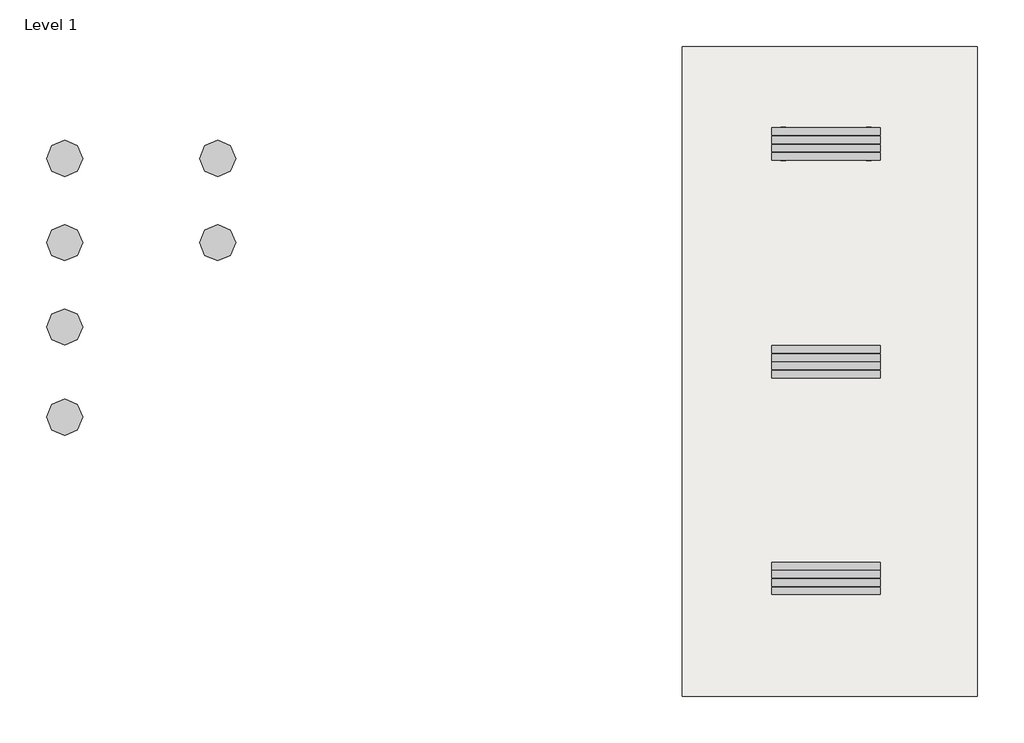
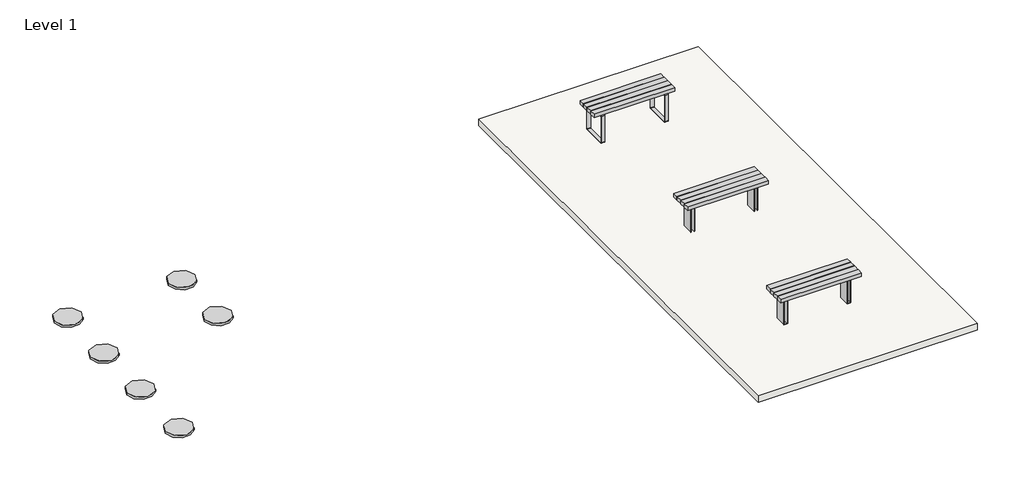
# One storey: 6 proxies, 3 furniture elements, 1 slab.
"""IFC4 building model written with IfcOpenShell, lengths in millimetres."""

import ifcopenshell
import ifcopenshell.guid

model = None  # the IFC model being written
_history = None  # IfcOwnerHistory: only IFC2X3 demands one
_inside = {}  # id of a spatial element -> (the spatial element, [elements in it])
_under = {}  # id of a project, library or spatial element -> (it, [spatial elements below it])
_declared = {}  # id of a project -> (the project, [libraries it declares])
_typed = {}  # id of a type object -> (the type object, [elements of that type])
_made_of = {}  # id of a material, layer set ... -> (it, [elements and type objects made of it])


def new_model(schema):
    """Start an empty IFC model of exactly this schema.

    Asked for "IFC4X3", IfcOpenShell would pick the latest addendum, in which some entities
    have other attributes; the version numbers below select the first issue.
    IFC2X3 requires an IfcOwnerHistory on every rooted entity: one is made here for all.
    """
    global model, _history
    if schema == "IFC4X3":
        model = ifcopenshell.file(schema_version=(4, 3, 0, 0))
    else:
        model = ifcopenshell.file(schema=schema)
    _inside.clear()
    _under.clear()
    _declared.clear()
    _typed.clear()
    _made_of.clear()
    _history = None
    if model.schema == "IFC2X3":
        org = make("IfcOrganization", Name="unknown")
        user = make(
            "IfcPersonAndOrganization",
            ThePerson=make("IfcPerson", FamilyName="unknown"),
            TheOrganization=org,
        )
        app = make(
            "IfcApplication",
            ApplicationDeveloper=org,
            Version="unknown",
            ApplicationFullName="unknown",
            ApplicationIdentifier="unknown",
        )
        _history = make(
            "IfcOwnerHistory",
            OwningUser=user,
            OwningApplication=app,
            ChangeAction="ADDED",
            CreationDate=0,
        )
    return model


def make(cls, **values):
    """One entity of the class cls with the attributes given. An attribute that is None is left unset."""
    return model.create_entity(
        cls, **{name: value for name, value in values.items() if value is not None}
    )


def rooted(cls, **values):
    """An entity with a GlobalId (a new one), such as an element, a storey or a relation."""
    return make(cls, GlobalId=ifcopenshell.guid.new(), OwnerHistory=_history, **values)


def si_unit(unit_type, name, prefix=None):
    """IfcSIUnit, for example si_unit("LENGTHUNIT", "METRE", prefix="MILLI")."""
    return make("IfcSIUnit", UnitType=unit_type, Prefix=prefix, Name=name)


def assignment(units):
    """IfcUnitAssignment: the units of a project."""
    return None if units is None else make("IfcUnitAssignment", Units=units)


def point(xyz):
    """IfcCartesianPoint."""
    return None if xyz is None else make("IfcCartesianPoint", Coordinates=xyz)


def direction(xyz):
    """IfcDirection."""
    return None if xyz is None else make("IfcDirection", DirectionRatios=xyz)


def frame(location, z_axis=None, x_axis=None):
    """IfcAxis2Placement3D, a coordinate frame: its origin and axes. An axis left out is left unset."""
    return make(
        "IfcAxis2Placement3D",
        Location=point(location),
        Axis=direction(z_axis),
        RefDirection=direction(x_axis),
    )


def frame_2d(location, x_axis=None):
    """IfcAxis2Placement2D, a coordinate frame in the plane: its origin and x axis."""
    return make(
        "IfcAxis2Placement2D", Location=point(location), RefDirection=direction(x_axis)
    )


def origin():
    """The frame at (0, 0, 0) with its axes left unset."""
    return frame((0.0, 0.0, 0.0))


def origin_with_axes():
    """The frame at (0, 0, 0) with the z axis (0, 0, 1) and the x axis (1, 0, 0) written out."""
    return frame((0.0, 0.0, 0.0), z_axis=(0.0, 0.0, 1.0), x_axis=(1.0, 0.0, 0.0))


def origin_2d():
    """The frame at (0, 0) in the plane with its x axis left unset."""
    return frame_2d((0.0, 0.0))


def place(relative_to, where):
    """IfcLocalPlacement: puts the frame where relative to a parent placement (None: the world)."""
    return make(
        "IfcLocalPlacement", PlacementRelTo=relative_to, RelativePlacement=where
    )


def context(
    kind, dimensions, precision=None, world=None, true_north=None, identifier=None
):
    """IfcGeometricRepresentationContext, for example the 3D "Model" context."""
    return make(
        "IfcGeometricRepresentationContext",
        ContextIdentifier=identifier,
        ContextType=kind,
        CoordinateSpaceDimension=dimensions,
        Precision=precision,
        WorldCoordinateSystem=world,
        TrueNorth=true_north,
    )


def project(units=None, contexts=None):
    """IfcProject with its units and contexts."""
    return rooted(
        "IfcProject",
        Name="project",
        RepresentationContexts=contexts,
        UnitsInContext=assignment(units),
    )


def spatial(cls, under=None, at=None, **own):
    """A site, building, storey or space (cls), placed at a placement, below another one or the project."""
    s = rooted(cls, ObjectPlacement=at, **own)
    if under is not None:
        _under.setdefault(under.id(), (under, []))[1].append(s)
    return s


def polyline(points):
    """IfcPolyline through the points."""
    return make("IfcPolyline", Points=[point(p) for p in points])


def circle_curve(where, radius):
    """IfcCircle in the frame where."""
    return make("IfcCircle", Position=where, Radius=radius)


def trimmed(basis, trim1, trim2, sense, master):
    """IfcTrimmedCurve: the piece of a basis curve between two trims."""
    return make(
        "IfcTrimmedCurve",
        BasisCurve=basis,
        Trim1=trim1,
        Trim2=trim2,
        SenseAgreement=sense,
        MasterRepresentation=master,
    )


def segment(curve, same_sense, transition):
    """IfcCompositeCurveSegment."""
    return make(
        "IfcCompositeCurveSegment",
        Transition=transition,
        SameSense=same_sense,
        ParentCurve=curve,
    )


def composite_curve(segments, self_intersect=None):
    """IfcCompositeCurve: segments joined end to end."""
    return make("IfcCompositeCurve", Segments=segments, SelfIntersect=self_intersect)


def outline(outer, holes=None, kind="AREA"):
    """IfcArbitraryClosedProfileDef: a profile drawn as a closed curve; with holes, ...WithVoids."""
    if holes is None:
        return make("IfcArbitraryClosedProfileDef", ProfileType=kind, OuterCurve=outer)
    return make(
        "IfcArbitraryProfileDefWithVoids",
        ProfileType=kind,
        OuterCurve=outer,
        InnerCurves=holes,
    )


def extrude(swept, where, along, depth):
    """IfcExtrudedAreaSolid: the profile swept, set in the frame where, extruded along a direction by depth."""
    return make(
        "IfcExtrudedAreaSolid",
        SweptArea=swept,
        Position=where,
        ExtrudedDirection=direction(along),
        Depth=depth,
    )


def faces_of(points, faces, orient=None, outer=None):
    """IfcFace entities. A face is a list of loops; a loop is a list of indices into points, from 0.

    orient and outer hold one flag for each loop. By default every Orientation is true, the
    first loop of a face is its IfcFaceOuterBound and the others are IfcFaceBound.
    """
    made = []
    for i, loops in enumerate(faces):
        bounds = []
        for j, loop in enumerate(loops):
            is_outer = j == 0 if outer is None else outer[i][j]
            bounds.append(
                make(
                    "IfcFaceOuterBound" if is_outer else "IfcFaceBound",
                    Bound=make("IfcPolyLoop", Polygon=[points[k] for k in loop]),
                    Orientation=True if orient is None else orient[i][j],
                )
            )
        made.append(make("IfcFace", Bounds=bounds))
    return made


def faceted_brep(points, faces, orient=None, outer=None, voids=None):
    """IfcFacetedBrep: a solid bounded by flat faces; with voids (closed shells), ...WithVoids."""
    shared = [point(p) for p in points]
    hull = make("IfcClosedShell", CfsFaces=faces_of(shared, faces, orient, outer))
    if voids is None:
        return make("IfcFacetedBrep", Outer=hull)
    return make(
        "IfcFacetedBrepWithVoids",
        Outer=hull,
        Voids=[
            make(cls, CfsFaces=faces_of(shared, fs, o, b)) for cls, fs, o, b in voids
        ],
    )


def shape(context_of_items, identifier, shape_type, items):
    """IfcShapeRepresentation: the items that make up one representation, for example the "Body"."""
    return make(
        "IfcShapeRepresentation",
        ContextOfItems=context_of_items,
        RepresentationIdentifier=identifier,
        RepresentationType=shape_type,
        Items=items,
    )


def source(mapping_origin, context_of_items, identifier, shape_type, items):
    """IfcRepresentationMap: a shape defined once, which mapped items show again and again."""
    return make(
        "IfcRepresentationMap",
        MappingOrigin=mapping_origin,
        MappedRepresentation=shape(context_of_items, identifier, shape_type, items),
    )


def transform(
    local_origin,
    x_axis=None,
    y_axis=None,
    z_axis=None,
    scale=None,
    scale2=None,
    scale3=None,
    uniform=True,
):
    """IfcCartesianTransformationOperator3D, or its non-uniform kind. x_axis, y_axis, z_axis: its Axis1, 2, 3."""
    if uniform:
        return make(
            "IfcCartesianTransformationOperator3D",
            Axis1=direction(x_axis),
            Axis2=direction(y_axis),
            LocalOrigin=point(local_origin),
            Scale=scale,
            Axis3=direction(z_axis),
        )
    return make(
        "IfcCartesianTransformationOperator3DnonUniform",
        Axis1=direction(x_axis),
        Axis2=direction(y_axis),
        LocalOrigin=point(local_origin),
        Scale=scale,
        Axis3=direction(z_axis),
        Scale2=scale2,
        Scale3=scale3,
    )


def mapped(mapping_source, mapping_target):
    """IfcMappedItem: shows the shape of a source again, moved by a transform."""
    return make(
        "IfcMappedItem", MappingSource=mapping_source, MappingTarget=mapping_target
    )


def made_of(thing, what):
    """Note that an element or type object is made of a material, layer set ...; save() writes the relation."""
    if what is not None:
        _made_of.setdefault(what.id(), (what, []))[1].append(thing)
    return thing


def element(
    cls,
    number,
    at=None,
    inside=None,
    cuts=None,
    type_object=None,
    material=None,
    context=None,
    identifier="Body",
    shape_type=None,
    held_by="IfcProductDefinitionShape",
    body=None,
    shapes=None,
    **own,
):
    """One element of the class cls, such as IfcWall. Its Tag is "e" and its number.

    at: its placement. inside: the storey or other place that contains it. cuts: it is an
    opening in that element (IfcRelVoidsElement). A single representation is given by context,
    identifier, shape_type and body (its items); several are given by shapes. held_by: the class
    of the entity that holds the representations. save() writes the other relations.
    """
    e = rooted(cls, Tag="e%d" % number, ObjectPlacement=at, **own)
    if body is not None:
        shapes = [shape(context, identifier, shape_type, body)]
    if shapes is not None:
        e.Representation = make(held_by, Representations=shapes)
    if inside is not None:
        _inside.setdefault(inside.id(), (inside, []))[1].append(e)
    if cuts is not None:
        rooted(
            "IfcRelVoidsElement", RelatingBuildingElement=cuts, RelatedOpeningElement=e
        )
    if type_object is not None:
        _typed.setdefault(type_object.id(), (type_object, []))[1].append(e)
    return made_of(e, material)


def aggregate(whole, parts):
    """IfcRelAggregates: a whole, such as a stair, and the parts it consists of."""
    return rooted("IfcRelAggregates", RelatingObject=whole, RelatedObjects=parts)


def save(model, path):
    """Write the relations noted so far, then the file.

    IfcRelAggregates (storeys below a building ...), IfcRelContainedInSpatialStructure (elements
    in a storey), IfcRelDefinesByType, IfcRelAssociatesMaterial and IfcRelDeclares: one each for
    every whole, place, type object, material and project.
    """
    for whole, parts in _under.values():
        aggregate(whole, parts)
    for where, things in _inside.values():
        rooted(
            "IfcRelContainedInSpatialStructure",
            RelatedElements=things,
            RelatingStructure=where,
        )
    for kind, things in _typed.values():
        rooted("IfcRelDefinesByType", RelatedObjects=things, RelatingType=kind)
    for what, things in _made_of.values():
        rooted("IfcRelAssociatesMaterial", RelatedObjects=things, RelatingMaterial=what)
    for by, libraries in _declared.values():
        rooted("IfcRelDeclares", RelatingContext=by, RelatedDefinitions=libraries)
    model.write(path)


def materialmodel_materialmodel_f1c05be1(model_context):
    return source(origin(), model_context, "Body", "SweptSolid", [
        extrude(outline(composite_curve([segment(trimmed(circle_curve(origin_2d(), 300.0), [point((-300.0, 0.0))], [point((300.0, 0.0))], False, "CARTESIAN"), True, "CONTINUOUS"), segment(trimmed(circle_curve(origin_2d(), 300.0), [point((300.0, 0.0))], [point((-300.0, 0.0))], False, "CARTESIAN"), True, "CONTINUOUS")], self_intersect=False)), origin_with_axes(), (0.0, 0.0, 1.0), 50.0),
    ])


def furniture_88f11b2a(model_context):
    return source(origin(), model_context, "Body", "SweptSolid", [
        extrude(outline(composite_curve([segment(polyline([(264.5000908, 0.0), (-264.4998001, 0.0)]), True, "CONTINUOUS"), segment(trimmed(circle_curve(frame_2d((-264.4998001, 15.0)), 15.0), [point((-264.4998001, 0.0))], [point((-279.4998001, 15.0))], False, "CARTESIAN"), True, "CONTINUOUS"), segment(polyline([(-279.4998001, 15.0), (-279.4998001, 641.6990066)]), True, "CONTINUOUS"), segment(trimmed(circle_curve(frame_2d((-264.4998001, 641.6990066)), 15.0), [point((-279.4998001, 641.6990066))], [point((-264.4998001, 656.6990066))], False, "CARTESIAN"), True, "CONTINUOUS"), segment(polyline([(-264.4998001, 656.6990066), (264.5000908, 656.6990066)]), True, "CONTINUOUS"), segment(trimmed(circle_curve(frame_2d((264.5000908, 641.6990066)), 15.0), [point((264.5000908, 656.6990066))], [point((279.5000908, 641.6990066))], False, "CARTESIAN"), True, "CONTINUOUS"), segment(polyline([(279.5000908, 641.6990066), (279.5000908, 15.0)]), True, "CONTINUOUS"), segment(trimmed(circle_curve(frame_2d((264.5000908, 15.0)), 15.0), [point((279.5000908, 15.0))], [point((264.5000908, 0.0))], False, "CARTESIAN"), True, "CONTINUOUS")], self_intersect=False), holes=[composite_curve([segment(trimmed(circle_curve(frame_2d((-262.9998291, 16.5)), 6.5), [point((-269.4998291, 16.5))], [point((-262.9998291, 10.0))], True, "CARTESIAN"), True, "CONTINUOUS"), segment(polyline([(-262.9998291, 10.0), (263.0001198, 10.0)]), True, "CONTINUOUS"), segment(trimmed(circle_curve(frame_2d((263.0001198, 16.5)), 6.5), [point((263.0001198, 10.0))], [point((269.5001198, 16.5))], True, "CARTESIAN"), True, "CONTINUOUS"), segment(polyline([(269.5001198, 16.5), (269.5001198, 619.9539286), (-269.4998291, 619.9539286), (-269.4998291, 16.5)]), True, "CONTINUOUS")], self_intersect=False)]), frame((-750.3000601, 0.0, 0.0), z_axis=(1.0, 0.0, 0.0), x_axis=(0.0, 1.0, 0.0)), (0.0, 0.0, 1.0), 83.000021),
        extrude(outline(polyline([(900.0, 268.4998398), (900.0, 145.4998398), (-900.0, 145.4998398), (-900.0, 268.4998398), (900.0, 268.4998398)])), frame((0.0, 0.0, 656.6990066), z_axis=(0.0, 0.0, 1.0), x_axis=(1.0, 0.0, 0.0)), (0.0, 0.0, 1.0), 83.1049466),
        extrude(outline(polyline([(900.0, -145.4826926), (900.0, -268.4826926), (-900.0, -268.4826926), (-900.0, -145.4826926), (900.0, -145.4826926)])), frame((0.0, 0.0, 656.6990066), z_axis=(0.0, 0.0, 1.0), x_axis=(1.0, 0.0, 0.0)), (0.0, 0.0, 1.0), 83.1049466),
        extrude(outline(polyline([(739.8039532, 900.0000373), (739.8039532, -900.0), (656.6990066, -900.0), (656.6990066, 900.0000373), (739.8039532, 900.0000373)]), holes=[polyline([(727.8039532, -888.0), (727.8039532, 888.0), (668.6990066, 888.0), (668.6990066, -888.0), (727.8039532, -888.0)])]), frame((0.0, -130.5001671, 0.0), z_axis=(0.0, 1.0, 0.0), x_axis=(0.0, 0.0, 1.0)), (0.0, 0.0, 1.0), 123.0000435),
        extrude(outline(polyline([(739.8039532, 900.0000373), (739.8039532, -900.0), (656.6990066, -900.0), (656.6990066, 900.0000373), (739.8039532, 900.0000373)]), holes=[polyline([(727.8039532, -888.0), (727.8039532, 888.0), (668.6990066, 888.0), (668.6990066, -888.0), (727.8039532, -888.0)])]), frame((0.0, 7.4998329, 0.0), z_axis=(0.0, 1.0, 0.0), x_axis=(0.0, 0.0, 1.0)), (0.0, 0.0, 1.0), 123.0000435),
        extrude(outline(composite_curve([segment(polyline([(264.5000908, 0.0), (-264.4998001, 0.0)]), True, "CONTINUOUS"), segment(trimmed(circle_curve(frame_2d((-264.4998001, 15.0)), 15.0), [point((-264.4998001, 0.0))], [point((-279.4998001, 15.0))], False, "CARTESIAN"), True, "CONTINUOUS"), segment(polyline([(-279.4998001, 15.0), (-279.4998001, 641.6990066)]), True, "CONTINUOUS"), segment(trimmed(circle_curve(frame_2d((-264.4998001, 641.6990066)), 15.0), [point((-279.4998001, 641.6990066))], [point((-264.4998001, 656.6990066))], False, "CARTESIAN"), True, "CONTINUOUS"), segment(polyline([(-264.4998001, 656.6990066), (264.5000908, 656.6990066)]), True, "CONTINUOUS"), segment(trimmed(circle_curve(frame_2d((264.5000908, 641.6990066)), 15.0), [point((264.5000908, 656.6990066))], [point((279.5000908, 641.6990066))], False, "CARTESIAN"), True, "CONTINUOUS"), segment(polyline([(279.5000908, 641.6990066), (279.5000908, 15.0)]), True, "CONTINUOUS"), segment(trimmed(circle_curve(frame_2d((264.5000908, 15.0)), 15.0), [point((279.5000908, 15.0))], [point((264.5000908, 0.0))], False, "CARTESIAN"), True, "CONTINUOUS")], self_intersect=False), holes=[composite_curve([segment(trimmed(circle_curve(frame_2d((-262.9998291, 16.5)), 6.5), [point((-269.4998291, 16.5))], [point((-262.9998291, 10.0))], True, "CARTESIAN"), True, "CONTINUOUS"), segment(polyline([(-262.9998291, 10.0), (263.0001198, 10.0)]), True, "CONTINUOUS"), segment(trimmed(circle_curve(frame_2d((263.0001198, 16.5)), 6.5), [point((263.0001198, 10.0))], [point((269.5001198, 16.5))], True, "CARTESIAN"), True, "CONTINUOUS"), segment(polyline([(269.5001198, 16.5), (269.5001198, 619.9539286), (-269.4998291, 619.9539286), (-269.4998291, 16.5)]), True, "CONTINUOUS")], self_intersect=False)]), frame((667.3000391, 0.0, 0.0), z_axis=(1.0, 0.0, 0.0), x_axis=(0.0, 1.0, 0.0)), (0.0, 0.0, 1.0), 83.000021),
        extrude(outline(polyline([(-667.3000391, -171.2111197), (-826.9999569, -171.2111197), (-826.9999569, 240.6902822), (-667.3000391, 240.6902822), (-667.3000391, -171.2111197)])), frame((0.0, 0.0, 656.6990066), z_axis=(0.0, 0.0, 1.0), x_axis=(1.0, 0.0, 0.0)), (0.0, 0.0, 1.0), 11.1049083),
        extrude(outline(polyline([(825.0012185, -171.2111197), (667.3000391, -171.2111197), (667.3000391, 240.6902822), (825.0012185, 240.6902822), (825.0012185, -171.2111197)])), frame((0.0, 0.0, 656.6990066), z_axis=(0.0, 0.0, 1.0), x_axis=(1.0, 0.0, 0.0)), (0.0, 0.0, 1.0), 11.1049083),
    ])


def furniture_73793343(model_context):
    return source(origin(), model_context, "Body", "SweptSolid", [
        extrude(outline(polyline([(-667.3000391, -171.2111197), (-826.9999569, -171.2111197), (-826.9999569, 240.6902822), (-667.3000391, 240.6902822), (-667.3000391, -171.2111197)])), frame((0.0, 0.0, 656.6990066), z_axis=(0.0, 0.0, 1.0), x_axis=(1.0, 0.0, 0.0)), (0.0, 0.0, 1.0), 11.1049083),
        extrude(outline(polyline([(825.0012185, -171.2111197), (667.3000391, -171.2111197), (667.3000391, 240.6902822), (825.0012185, 240.6902822), (825.0012185, -171.2111197)])), frame((0.0, 0.0, 656.6990066), z_axis=(0.0, 0.0, 1.0), x_axis=(1.0, 0.0, 0.0)), (0.0, 0.0, 1.0), 11.1049083),
        extrude(outline(polyline([(0.0, -747.0003342), (0.0, -667.0002754), (656.6990066, -667.0002754), (656.6990066, -677.0002754), (10.0, -677.0002754), (10.0, -737.0003342), (656.6990066, -737.0003342), (656.6990066, -747.0003342), (0.0, -747.0003342)])), frame((0.0, -130.5001671, 0.0), z_axis=(0.0, 1.0, 0.0), x_axis=(0.0, 0.0, 1.0)), (0.0, 0.0, 1.0), 261.0000435),
        extrude(outline(polyline([(0.0, 747.0003342), (656.6990066, 747.0003342), (656.6990066, 737.0003342), (10.0, 737.0003342), (10.0, 677.0002754), (656.6990066, 677.0002754), (656.6990066, 667.0002754), (0.0, 667.0002754), (0.0, 747.0003342)])), frame((0.0, -130.5001671, 0.0), z_axis=(0.0, 1.0, 0.0), x_axis=(0.0, 0.0, 1.0)), (0.0, 0.0, 1.0), 261.0000435),
        extrude(outline(polyline([(900.0, 268.4998398), (900.0, 145.4998398), (-900.0, 145.4998398), (-900.0, 268.4998398), (900.0, 268.4998398)])), frame((0.0, 0.0, 656.6990066), z_axis=(0.0, 0.0, 1.0), x_axis=(1.0, 0.0, 0.0)), (0.0, 0.0, 1.0), 83.1049466),
        extrude(outline(polyline([(900.0, -145.4826926), (900.0, -268.4826926), (-900.0, -268.4826926), (-900.0, -145.4826926), (900.0, -145.4826926)])), frame((0.0, 0.0, 656.6990066), z_axis=(0.0, 0.0, 1.0), x_axis=(1.0, 0.0, 0.0)), (0.0, 0.0, 1.0), 83.1049466),
        extrude(outline(polyline([(739.8039532, 900.0000373), (739.8039532, -900.0), (656.6990066, -900.0), (656.6990066, 900.0000373), (739.8039532, 900.0000373)]), holes=[polyline([(727.8039532, -888.0), (727.8039532, 888.0), (668.6990066, 888.0), (668.6990066, -888.0), (727.8039532, -888.0)])]), frame((0.0, -130.5001671, 0.0), z_axis=(0.0, 1.0, 0.0), x_axis=(0.0, 0.0, 1.0)), (0.0, 0.0, 1.0), 123.0000435),
        extrude(outline(polyline([(739.8039532, 900.0000373), (739.8039532, -900.0), (656.6990066, -900.0), (656.6990066, 900.0000373), (739.8039532, 900.0000373)]), holes=[polyline([(727.8039532, -888.0), (727.8039532, 888.0), (668.6990066, 888.0), (668.6990066, -888.0), (727.8039532, -888.0)])]), frame((0.0, 7.4998329, 0.0), z_axis=(0.0, 1.0, 0.0), x_axis=(0.0, 0.0, 1.0)), (0.0, 0.0, 1.0), 123.0000435),
    ])


def furniture_cf90da13(model_context):
    return source(origin(), model_context, "Body", "SolidModel", [
        extrude(outline(polyline([(-667.3000391, -171.2111197), (-826.9999569, -171.2111197), (-826.9999569, 240.6902822), (-667.3000391, 240.6902822), (-667.3000391, -171.2111197)])), frame((0.0, 0.0, 656.6990066), z_axis=(0.0, 0.0, 1.0), x_axis=(1.0, 0.0, 0.0)), (0.0, 0.0, 1.0), 11.1049083),
        extrude(outline(polyline([(825.0012185, -171.2111197), (667.3000391, -171.2111197), (667.3000391, 240.6902822), (825.0012185, 240.6902822), (825.0012185, -171.2111197)])), frame((0.0, 0.0, 656.6990066), z_axis=(0.0, 0.0, 1.0), x_axis=(1.0, 0.0, 0.0)), (0.0, 0.0, 1.0), 11.1049083),
        extrude(outline(polyline([(-677.0002754, -5.0), (-737.0003342, -5.0), (-737.0003342, 5.0), (-677.0002754, 5.0), (-677.0002754, -5.0)])), frame((0.0, 0.0, -180.0), z_axis=(0.0, 0.0, 1.0), x_axis=(1.0, 0.0, 0.0)), (0.0, 0.0, 1.0), 120.0),
        extrude(outline(polyline([(737.0003342, -5.0), (677.0002754, -5.0), (677.0002754, 5.0), (737.0003342, 5.0), (737.0003342, -5.0)])), frame((0.0, 0.0, -180.0), z_axis=(0.0, 0.0, 1.0), x_axis=(1.0, 0.0, 0.0)), (0.0, 0.0, 1.0), 120.0),
        extrude(outline(polyline([(900.0, 268.4998398), (900.0, 145.4998398), (-900.0, 145.4998398), (-900.0, 268.4998398), (900.0, 268.4998398)])), frame((0.0, 0.0, 656.6990066), z_axis=(0.0, 0.0, 1.0), x_axis=(1.0, 0.0, 0.0)), (0.0, 0.0, 1.0), 83.1049466),
        extrude(outline(polyline([(900.0, -145.4826926), (900.0, -268.4826926), (-900.0, -268.4826926), (-900.0, -145.4826926), (900.0, -145.4826926)])), frame((0.0, 0.0, 656.6990066), z_axis=(0.0, 0.0, 1.0), x_axis=(1.0, 0.0, 0.0)), (0.0, 0.0, 1.0), 83.1049466),
        extrude(outline(polyline([(739.8039532, 900.0000373), (739.8039532, -900.0), (656.6990066, -900.0), (656.6990066, 900.0000373), (739.8039532, 900.0000373)]), holes=[polyline([(727.8039532, -888.0), (727.8039532, 888.0), (668.6990066, 888.0), (668.6990066, -888.0), (727.8039532, -888.0)])]), frame((0.0, -130.5001671, 0.0), z_axis=(0.0, 1.0, 0.0), x_axis=(0.0, 0.0, 1.0)), (0.0, 0.0, 1.0), 123.0000435),
        extrude(outline(polyline([(739.8039532, 900.0000373), (739.8039532, -900.0), (656.6990066, -900.0), (656.6990066, 900.0000373), (739.8039532, 900.0000373)]), holes=[polyline([(727.8039532, -888.0), (727.8039532, 888.0), (668.6990066, 888.0), (668.6990066, -888.0), (727.8039532, -888.0)])]), frame((0.0, 7.4998329, 0.0), z_axis=(0.0, 1.0, 0.0), x_axis=(0.0, 0.0, 1.0)), (0.0, 0.0, 1.0), 123.0000435),
        faceted_brep([(-677.0002754, -5.0, -60.0), (-737.0003342, -5.0, -60.0), (-737.0003342, -5.0, -180.0), (-677.0002754, -5.0, -180.0), (-677.0002754, 5.0, -180.0), (-737.0003342, 5.0, -180.0), (-737.0003342, 5.0, -60.0), (-677.0002754, 5.0, -60.0), (-747.0003342, -130.5001671, -300.0), (-737.0003342, -130.5001671, -300.0), (-737.0003342, -130.5001671, 656.6990066), (-747.0003342, -130.5001671, 656.6990066), (-667.0002754, -130.5001671, -300.0), (-667.0002754, -130.5001671, 656.6990066), (-677.0002754, -130.5001671, 656.6990066), (-677.0002754, -130.5001671, -300.0), (-667.0002754, 130.4998764, -300.0), (-677.0002754, 130.4998764, -300.0), (-677.0002754, 130.4998764, 656.6990066), (-667.0002754, 130.4998764, 656.6990066), (-747.0003342, 130.4998764, -300.0), (-747.0003342, 130.4998764, 656.6990066), (-737.0003342, 130.4998764, 656.6990066), (-737.0003342, 130.4998764, -300.0)], [[[0, 1, 2, 3]], [[4, 5, 6, 7]], [[1, 0, 7, 6]], [[3, 2, 5, 4]], [[8, 9, 10, 11]], [[12, 13, 14, 15]], [[16, 17, 18, 19]], [[20, 21, 22, 23]], [[8, 11, 21, 20]], [[13, 12, 16, 19]], [[15, 14, 18, 17], [0, 3, 4, 7]], [[10, 9, 23, 22], [2, 1, 6, 5]], [[11, 10, 22, 21]], [[9, 8, 20, 23]], [[12, 15, 17, 16]], [[14, 13, 19, 18]]]),
        faceted_brep([(677.0002754, -5.0, -180.0), (737.0003342, -5.0, -180.0), (737.0003342, -5.0, -60.0), (677.0002754, -5.0, -60.0), (677.0002754, 5.0, -60.0), (737.0003342, 5.0, -60.0), (737.0003342, 5.0, -180.0), (677.0002754, 5.0, -180.0), (747.0003342, -130.5001671, -300.0), (747.0003342, -130.5001671, 656.6990066), (737.0003342, -130.5001671, 656.6990066), (737.0003342, -130.5001671, -300.0), (667.0002754, -130.5001671, -300.0), (677.0002754, -130.5001671, -300.0), (677.0002754, -130.5001671, 656.6990066), (667.0002754, -130.5001671, 656.6990066), (747.0003342, 130.4998764, -300.0), (737.0003342, 130.4998764, -300.0), (737.0003342, 130.4998764, 656.6990066), (747.0003342, 130.4998764, 656.6990066), (667.0002754, 130.4998764, -300.0), (667.0002754, 130.4998764, 656.6990066), (677.0002754, 130.4998764, 656.6990066), (677.0002754, 130.4998764, -300.0)], [[[0, 1, 2, 3]], [[4, 5, 6, 7]], [[8, 9, 10, 11]], [[12, 13, 14, 15]], [[16, 17, 18, 19]], [[20, 21, 22, 23]], [[9, 8, 16, 19]], [[10, 9, 19, 18]], [[11, 10, 18, 17], [2, 1, 6, 5]], [[8, 11, 17, 16]], [[13, 12, 20, 23]], [[14, 13, 23, 22], [0, 3, 4, 7]], [[15, 14, 22, 21]], [[12, 15, 21, 20]], [[1, 0, 7, 6]], [[3, 2, 5, 4]]]),
    ])


model = new_model("IFC4")

# Units and contexts
model_context = context("Model", 3, world=origin())
ifc_project = project(units=[si_unit("LENGTHUNIT", "METRE", prefix="MILLI")], contexts=[model_context])

# Site, building, storey
site = spatial("IfcSite", under=ifc_project)
building = spatial("IfcBuilding", under=site)
storey = spatial("IfcBuildingStorey", under=building, Name="Level 1", Elevation=0.0)

# Proxies
placement = place(None, origin())
materialmodel_materialmodel_shape = materialmodel_materialmodel_f1c05be1(model_context)
element("IfcBuildingElementProxy", 1, Name="MaterialModel : MaterialModel", ObjectType="MaterialModel : MaterialModel", at=placement, inside=storey, context=model_context, shape_type="MappedRepresentation", body=[
    mapped(materialmodel_materialmodel_shape, transform((-11022.6996072, 9186.0981081, 0.0), x_axis=(1.0, 0.0, 0.0), y_axis=(0.0, 1.0, 0.0), z_axis=(0.0, 0.0, 1.0))),
])
element("IfcBuildingElementProxy", 2, Name="MaterialModel : MaterialModel", ObjectType="MaterialModel : MaterialModel", at=placement, inside=storey, context=model_context, shape_type="MappedRepresentation", body=[
    mapped(materialmodel_materialmodel_shape, transform((-11022.6996072, 10586.0981081, 0.0), x_axis=(1.0, 0.0, 0.0), y_axis=(0.0, 1.0, 0.0), z_axis=(0.0, 0.0, 1.0))),
])
element("IfcBuildingElementProxy", 3, Name="MaterialModel : MaterialModel", ObjectType="MaterialModel : MaterialModel", at=placement, inside=storey, context=model_context, shape_type="MappedRepresentation", body=[
    mapped(materialmodel_materialmodel_shape, transform((-13564.795037, 10586.0981081, 0.0), x_axis=(1.0, 0.0, 0.0), y_axis=(0.0, 1.0, 0.0), z_axis=(0.0, 0.0, 1.0))),
])
element("IfcBuildingElementProxy", 4, Name="MaterialModel : MaterialModel", ObjectType="MaterialModel : MaterialModel", at=placement, inside=storey, context=model_context, shape_type="MappedRepresentation", body=[
    mapped(materialmodel_materialmodel_shape, transform((-13564.795037, 9186.0981081, 0.0), x_axis=(1.0, 0.0, 0.0), y_axis=(0.0, 1.0, 0.0), z_axis=(0.0, 0.0, 1.0))),
])
element("IfcBuildingElementProxy", 5, Name="MaterialModel : MaterialModel", ObjectType="MaterialModel : MaterialModel", at=placement, inside=storey, context=model_context, shape_type="MappedRepresentation", body=[
    mapped(materialmodel_materialmodel_shape, transform((-13564.795037, 7786.0981081, 0.0), x_axis=(1.0, 0.0, 0.0), y_axis=(0.0, 1.0, 0.0), z_axis=(0.0, 0.0, 1.0))),
])
element("IfcBuildingElementProxy", 6, Name="MaterialModel : MaterialModel", ObjectType="MaterialModel : MaterialModel", at=placement, inside=storey, context=model_context, shape_type="MappedRepresentation", body=[
    mapped(materialmodel_materialmodel_shape, transform((-13564.795037, 6286.0981081, 0.0), x_axis=(1.0, 0.0, 0.0), y_axis=(0.0, 1.0, 0.0), z_axis=(0.0, 0.0, 1.0))),
])

# Furniture
furniture_shape = furniture_88f11b2a(model_context)
element("IfcFurniture", 7, at=placement, inside=storey, context=model_context, shape_type="MappedRepresentation", body=[
    mapped(furniture_shape, transform((-922.8862371, 10826.4262421, 0.0), x_axis=(1.0, 0.0, 0.0), y_axis=(0.0, 1.0, 0.0), z_axis=(0.0, 0.0, 1.0))),
])
furniture_2_shape = furniture_73793343(model_context)
element("IfcFurniture", 8, at=placement, inside=storey, context=model_context, shape_type="MappedRepresentation", body=[
    mapped(furniture_2_shape, transform((-922.8862371, 3606.4262421, 0.0), x_axis=(1.0, 0.0, 0.0), y_axis=(0.0, 1.0, 0.0), z_axis=(0.0, 0.0, 1.0))),
])
furniture_3_shape = furniture_cf90da13(model_context)
element("IfcFurniture", 9, at=placement, inside=storey, context=model_context, shape_type="MappedRepresentation", body=[
    mapped(furniture_3_shape, transform((-922.8862371, 7206.4262421, 0.0), x_axis=(1.0, 0.0, 0.0), y_axis=(0.0, 1.0, 0.0), z_axis=(0.0, 0.0, 1.0))),
])

# Slab
element("IfcSlab", 10, ObjectType="Generic 150mm", at=placement, inside=storey, context=model_context, shape_type="SweptSolid", body=[
    extrude(outline(polyline([(1595.204963, 12446.0981081), (1595.204963, 1646.0981081), (-3304.795037, 1646.0981081), (-3304.795037, 12446.0981081), (1595.204963, 12446.0981081)])), frame((0.0, 0.0, -150.0), z_axis=(0.0, 0.0, 1.0), x_axis=(1.0, 0.0, 0.0)), (0.0, 0.0, 1.0), 150.0),
])

save(model, "model.ifc")
